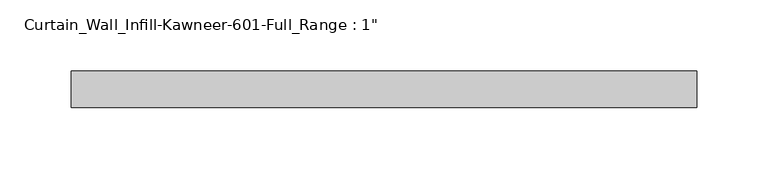
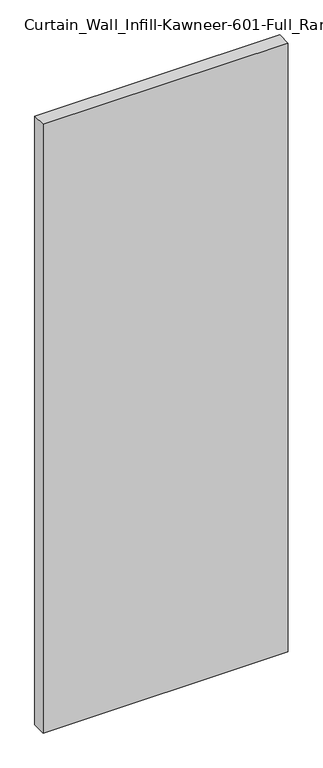
"""IFC4 building model written with IfcOpenShell, lengths in millimetres: plate geometry."""

from ifc_helpers import new_model, si_unit, origin, origin_with_axes, place, context, project, spatial, polyline, outline, extrude, source, transform, mapped, element, save


def plate_7aa53fab(model_context):
    return source(origin(), model_context, "Body", "SweptSolid", [
        extrude(outline(polyline([(-219.075, 12.7), (219.075, 12.7), (219.075, -12.7), (-219.075, -12.7), (-219.075, 12.7)])), origin_with_axes(), (0.0, 0.0, 1.0), 1149.35),
    ])


if __name__ == "__main__":
    model = new_model("IFC4")
    model_context = context("Model", 3, world=origin())
    ifc_project = project(units=[si_unit("LENGTHUNIT", "METRE", prefix="MILLI")], contexts=[model_context])
    site = spatial("IfcSite", under=ifc_project)
    building = spatial("IfcBuilding", under=site)
    placement = place(None, origin())
    plate_shape = plate_7aa53fab(model_context)
    element("IfcPlate", 1, ObjectType="Curtain_Wall_Infill-Kawneer-601-Full_Range : 1\"", at=placement, inside=building, context=model_context, shape_type="MappedRepresentation", body=[
        mapped(plate_shape, transform((0.0, 0.0, 0.0), x_axis=(1.0, 0.0, 0.0), y_axis=(0.0, 1.0, 0.0), z_axis=(0.0, 0.0, 1.0))),
    ])
    save(model, "model.ifc")
